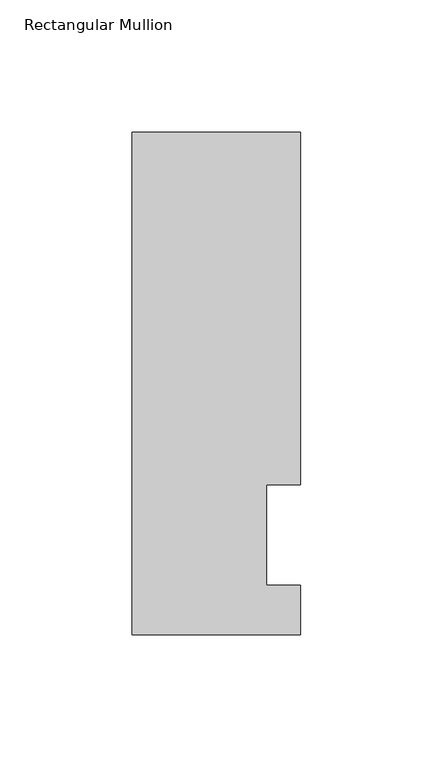
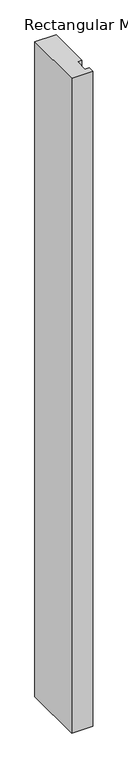
"""IFC4 building model written with IfcOpenShell, lengths in millimetres: member geometry, Rectangular Mullion."""

from ifc_helpers import new_model, si_unit, frame, origin, place, context, project, spatial, polyline, outline, extrude, source, transform, mapped, element, save


def rectangular_mullion_ec4a0e55(model_context):
    return source(origin(), model_context, "Body", "SweptSolid", [
        extrude(outline(polyline([(19.05, 56.6539062), (19.05, 18.5539062), (31.75, 18.5539062), (31.75, 0.0119062), (-31.75, 0.0119062), (-31.75, 189.5975062), (31.75, 189.5975063), (31.75, 56.6539063), (19.05, 56.6539062)])), frame((0.0, 0.0, -2070.1), z_axis=(0.0, 0.0, 1.0), x_axis=(1.0, 0.0, 0.0)), (0.0, 0.0, 1.0), 2070.1),
    ])


if __name__ == "__main__":
    model = new_model("IFC4")
    model_context = context("Model", 3, world=origin())
    ifc_project = project(units=[si_unit("LENGTHUNIT", "METRE", prefix="MILLI")], contexts=[model_context])
    site = spatial("IfcSite", under=ifc_project)
    building = spatial("IfcBuilding", under=site)
    placement = place(None, origin())
    rectangular_mullion_shape = rectangular_mullion_ec4a0e55(model_context)
    element("IfcMember", 1, ObjectType="Rectangular Mullion", at=placement, inside=building, context=model_context, shape_type="MappedRepresentation", body=[
        mapped(rectangular_mullion_shape, transform((0.0, 0.0, 0.0), x_axis=(1.0, 0.0, 0.0), y_axis=(0.0, 1.0, 0.0), z_axis=(0.0, 0.0, 1.0))),
    ])
    save(model, "model.ifc")
